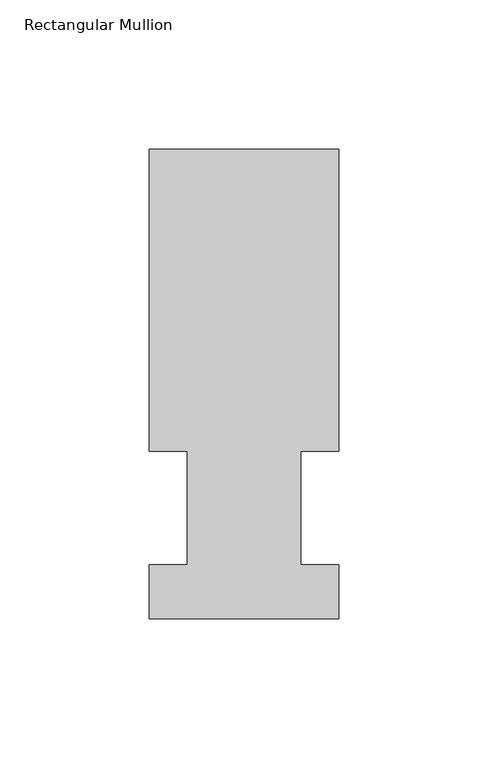
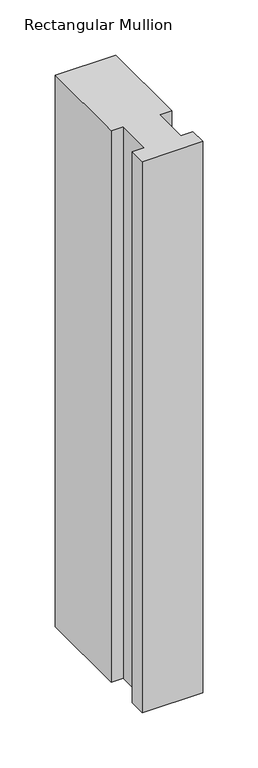
"""IFC4 building model written with IfcOpenShell, lengths in millimetres: member geometry, Rectangular Mullion."""

from ifc_helpers import new_model, si_unit, frame, origin, place, context, project, spatial, polyline, outline, extrude, source, transform, mapped, element, save


def rectangular_mullion_f2fee30f(model_context):
    return source(origin(), model_context, "Body", "SweptSolid", [
        extrude(outline(polyline([(-63.5, 157.8475062), (0.0, 157.8475063), (0.0, 56.6539062), (-12.6873, 56.6539062), (-12.6873, 18.5539062), (0.0, 18.5539062), (0.0, 0.5199062), (-63.5, 0.5199062), (-63.5, 18.5539062), (-50.8, 18.5539062), (-50.8, 56.6539062), (-63.5, 56.6539062), (-63.5, 157.8475062)])), frame((0.0, 0.0, -609.6), z_axis=(0.0, 0.0, 1.0), x_axis=(1.0, 0.0, 0.0)), (0.0, 0.0, 1.0), 609.6),
    ])


if __name__ == "__main__":
    model = new_model("IFC4")
    model_context = context("Model", 3, world=origin())
    ifc_project = project(units=[si_unit("LENGTHUNIT", "METRE", prefix="MILLI")], contexts=[model_context])
    site = spatial("IfcSite", under=ifc_project)
    building = spatial("IfcBuilding", under=site)
    placement = place(None, origin())
    rectangular_mullion_shape = rectangular_mullion_f2fee30f(model_context)
    element("IfcMember", 1, ObjectType="Rectangular Mullion", at=placement, inside=building, context=model_context, shape_type="MappedRepresentation", body=[
        mapped(rectangular_mullion_shape, transform((0.0, 0.0, 0.0), x_axis=(1.0, 0.0, 0.0), y_axis=(0.0, 1.0, 0.0), z_axis=(0.0, 0.0, 1.0))),
    ])
    save(model, "model.ifc")
